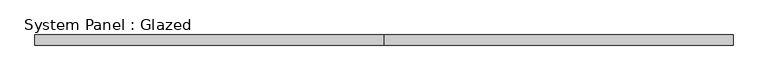
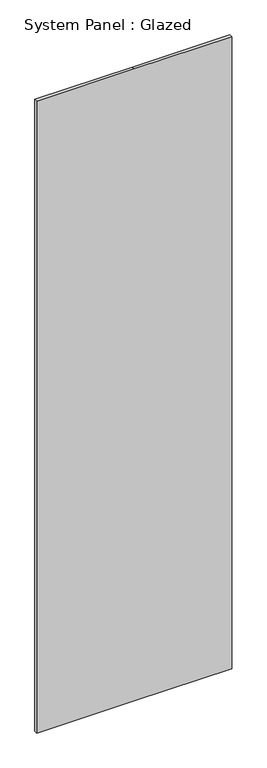
"""IFC4 building model written with IfcOpenShell, lengths in millimetres: plate geometry, System Panel : Glazed."""

from ifc_helpers import new_model, si_unit, frame, origin, place, context, project, spatial, polyline, outline, extrude, source, transform, mapped, element, save


def system_panel_glazed_e735ce2d(model_context):
    return source(origin(), model_context, "Body", "SweptSolid", [
        extrude(outline(polyline([(0.0, -850.9), (0.0, 0.0), (0.0, 850.9), (5829.3, 850.9), (5829.3, 0.0), (5829.3, -850.9), (0.0, -850.9)])), frame((0.0, 19.05, 0.0), z_axis=(0.0, 1.0, 0.0), x_axis=(0.0, 0.0, 1.0)), (0.0, 0.0, 1.0), 25.4),
    ])


if __name__ == "__main__":
    model = new_model("IFC4")
    model_context = context("Model", 3, world=origin())
    ifc_project = project(units=[si_unit("LENGTHUNIT", "METRE", prefix="MILLI")], contexts=[model_context])
    site = spatial("IfcSite", under=ifc_project)
    building = spatial("IfcBuilding", under=site)
    placement = place(None, origin())
    system_panel_glazed_shape = system_panel_glazed_e735ce2d(model_context)
    element("IfcPlate", 1, ObjectType="System Panel : Glazed", at=placement, inside=building, context=model_context, shape_type="MappedRepresentation", body=[
        mapped(system_panel_glazed_shape, transform((0.0, 0.0, 0.0), x_axis=(1.0, 0.0, 0.0), y_axis=(0.0, 1.0, 0.0), z_axis=(0.0, 0.0, 1.0))),
    ])
    save(model, "model.ifc")
